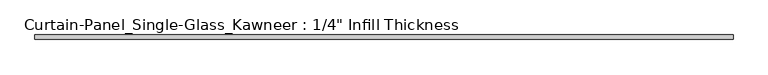
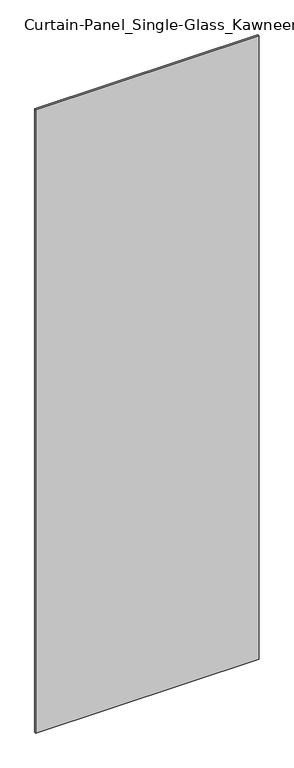
"""IFC4 building model written with IfcOpenShell, lengths in millimetres: plate geometry."""

from ifc_helpers import new_model, si_unit, origin, origin_with_axes, place, context, project, spatial, polyline, outline, extrude, source, transform, mapped, element, save


def plate_0b6c2556(model_context):
    return source(origin(), model_context, "Body", "SweptSolid", [
        extrude(outline(polyline([(501.65, -3.175), (-501.65, -3.175), (-501.65, 3.175), (501.65, 3.175), (501.65, -3.175)])), origin_with_axes(), (0.0, 0.0, 1.0), 2959.1),
    ])


if __name__ == "__main__":
    model = new_model("IFC4")
    model_context = context("Model", 3, world=origin())
    ifc_project = project(units=[si_unit("LENGTHUNIT", "METRE", prefix="MILLI")], contexts=[model_context])
    site = spatial("IfcSite", under=ifc_project)
    building = spatial("IfcBuilding", under=site)
    placement = place(None, origin())
    plate_shape = plate_0b6c2556(model_context)
    element("IfcPlate", 1, ObjectType="Curtain-Panel_Single-Glass_Kawneer : 1/4\" Infill Thickness", at=placement, inside=building, context=model_context, shape_type="MappedRepresentation", body=[
        mapped(plate_shape, transform((0.0, 0.0, 0.0), x_axis=(1.0, 0.0, 0.0), y_axis=(0.0, 1.0, 0.0), z_axis=(0.0, 0.0, 1.0))),
    ])
    save(model, "model.ifc")
